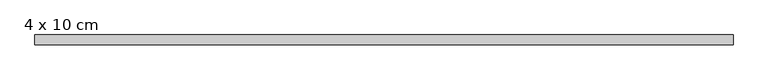
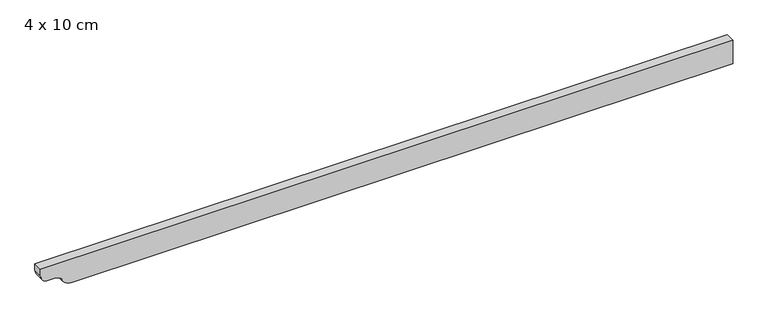
"""IFC4 building model written with IfcOpenShell, lengths in millimetres: beam geometry, 4 x 10 cm."""

from ifc_helpers import new_model, si_unit, point, frame, frame_2d, origin, place, context, project, spatial, polyline, circle_curve, trimmed, segment, composite_curve, outline, extrude, source, transform, mapped, element, save


def beam_4_x_10_cm_b38b457f(model_context):
    return source(origin(), model_context, "Body", "SweptSolid", [
        extrude(outline(composite_curve([segment(polyline([(50.0, 1415.5501346), (50.0, -1455.2783806), (22.5, -1455.2783806)]), True, "CONTINUOUS"), segment(trimmed(circle_curve(frame_2d((22.5, -1422.7783806)), 32.5), [point((22.5, -1455.2783806))], [point((-10.0, -1422.7783806))], False, "CARTESIAN"), True, "CONTINUOUS"), segment(polyline([(-10.0, -1422.7783806), (-10.0, -1391.7681755)]), True, "CONTINUOUS"), segment(trimmed(circle_curve(frame_2d((-40.0, -1391.7681755)), 30.0), [point((-10.0, -1391.7681755))], [point((-34.0, -1362.3742986))], True, "CARTESIAN"), True, "CONTINUOUS"), segment(trimmed(circle_curve(frame_2d((-3.1535049, -1323.0233934)), 50.0), [point((-34.0, -1362.3742986))], [point((-53.1535049, -1323.0233934))], False, "CARTESIAN"), True, "CONTINUOUS"), segment(polyline([(-53.1535049, -1323.0233934), (-53.1535049, 1415.5501346), (50.0, 1415.5501346)]), True, "CONTINUOUS")], self_intersect=False)), frame((0.0, -20.0, 0.0), z_axis=(0.0, 1.0, 0.0), x_axis=(0.0, 0.0, 1.0)), (0.0, 0.0, 1.0), 40.0),
    ])


if __name__ == "__main__":
    model = new_model("IFC4")
    model_context = context("Model", 3, world=origin())
    ifc_project = project(units=[si_unit("LENGTHUNIT", "METRE", prefix="MILLI")], contexts=[model_context])
    site = spatial("IfcSite", under=ifc_project)
    building = spatial("IfcBuilding", under=site)
    placement = place(None, origin())
    beam_4_x_10_cm_shape = beam_4_x_10_cm_b38b457f(model_context)
    element("IfcBeam", 1, ObjectType="4 x 10 cm", at=placement, inside=building, context=model_context, shape_type="MappedRepresentation", body=[
        mapped(beam_4_x_10_cm_shape, transform((0.0, 0.0, 0.0), x_axis=(1.0, 0.0, 0.0), y_axis=(0.0, 1.0, 0.0), z_axis=(0.0, 0.0, 1.0))),
    ])
    save(model, "model.ifc")
